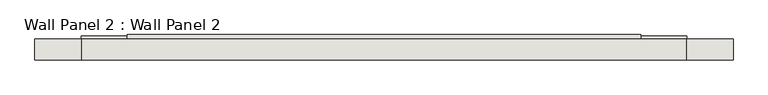
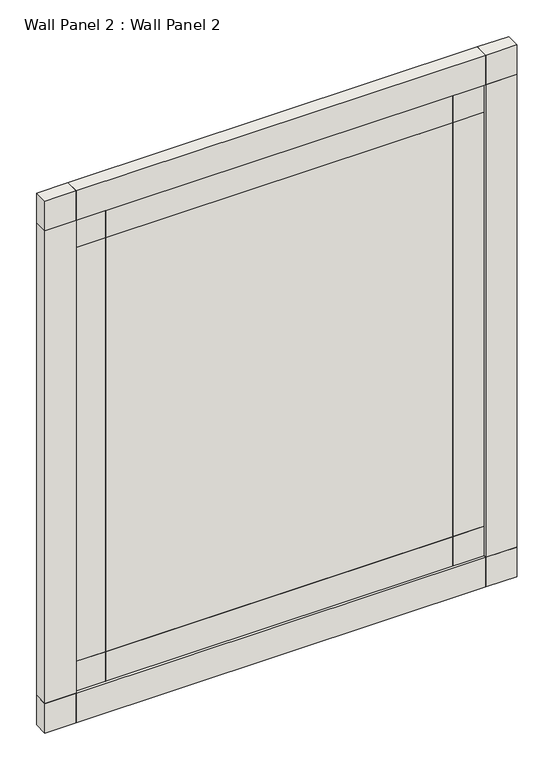
"""IFC4 building model written with IfcOpenShell, lengths in millimetres: wall geometry, Wall Panel 2 : Wall Panel 2."""

from ifc_helpers import new_model, si_unit, frame, origin, place, context, project, spatial, polyline, outline, extrude, source, transform, mapped, element, save


def wall_panel_2_wall_panel_2_7bca7684(model_context):
    return source(origin(), model_context, "Body", "SweptSolid", [
        extrude(outline(polyline([(107003.3665528, 3016.2499998), (104742.7664059, 3016.2499998), (104742.7664059, 3108.3249998), (107003.3665528, 3108.3249998), (107003.3665528, 3016.2499998)])), frame((0.0, 0.0, 609.6), z_axis=(0.0, 0.0, 1.0), x_axis=(1.0, 0.0, 0.0)), (0.0, 0.0, 1.0), 2844.8),
        extrude(outline(polyline([(107003.3665528, 3016.2499998), (104742.7664059, 3016.2499998), (104742.7664059, 3108.3249998), (107003.3665528, 3108.3249998), (107003.3665528, 3016.2499998)])), frame((0.0, 0.0, 3454.4), z_axis=(0.0, 0.0, 1.0), x_axis=(1.0, 0.0, 0.0)), (0.0, 0.0, 1.0), 203.2),
        extrude(outline(polyline([(107003.3665528, 3016.2499998), (104742.7664059, 3016.2499998), (104742.7664059, 3108.3249998), (107003.3665528, 3108.3249998), (107003.3665528, 3016.2499998)])), frame((0.0, 0.0, 406.4), z_axis=(0.0, 0.0, 1.0), x_axis=(1.0, 0.0, 0.0)), (0.0, 0.0, 1.0), 203.2),
        extrude(outline(polyline([(104742.7664059, 3016.2499998), (104539.5664059, 3016.2499998), (104539.5664059, 3101.9749998), (104742.7664059, 3101.9749998), (104742.7664059, 3016.2499998)])), frame((0.0, 0.0, 609.6), z_axis=(0.0, 0.0, 1.0), x_axis=(1.0, 0.0, 0.0)), (0.0, 0.0, 1.0), 2844.8),
        extrude(outline(polyline([(107206.5665528, 3016.2499998), (107003.3665528, 3016.2499998), (107003.3665528, 3101.9749998), (107206.5665528, 3101.9749998), (107206.5665528, 3016.2499998)])), frame((0.0, 0.0, 609.6), z_axis=(0.0, 0.0, 1.0), x_axis=(1.0, 0.0, 0.0)), (0.0, 0.0, 1.0), 2844.8),
        extrude(outline(polyline([(104742.7664059, 3016.2499998), (104539.5664059, 3016.2499998), (104539.5664059, 3101.9749998), (104742.7664059, 3101.9749998), (104742.7664059, 3016.2499998)])), frame((0.0, 0.0, 3454.4), z_axis=(0.0, 0.0, 1.0), x_axis=(1.0, 0.0, 0.0)), (0.0, 0.0, 1.0), 203.2),
        extrude(outline(polyline([(107206.5665528, 3016.2499998), (107003.3665528, 3016.2499998), (107003.3665528, 3101.9749998), (107206.5665528, 3101.9749998), (107206.5665528, 3016.2499998)])), frame((0.0, 0.0, 3454.4), z_axis=(0.0, 0.0, 1.0), x_axis=(1.0, 0.0, 0.0)), (0.0, 0.0, 1.0), 203.2),
        extrude(outline(polyline([(104742.7664059, 3016.2499998), (104539.5664059, 3016.2499998), (104539.5664059, 3101.9749998), (104742.7664059, 3101.9749998), (104742.7664059, 3016.2499998)])), frame((0.0, 0.0, 406.4), z_axis=(0.0, 0.0, 1.0), x_axis=(1.0, 0.0, 0.0)), (0.0, 0.0, 1.0), 203.2),
        extrude(outline(polyline([(107206.5665528, 3016.2499998), (107003.3665528, 3016.2499998), (107003.3665528, 3101.9749998), (107206.5665528, 3101.9749998), (107206.5665528, 3016.2499998)])), frame((0.0, 0.0, 406.4), z_axis=(0.0, 0.0, 1.0), x_axis=(1.0, 0.0, 0.0)), (0.0, 0.0, 1.0), 203.2),
        extrude(outline(polyline([(104539.5664059, 2997.1999998), (104336.3664059, 2997.1999998), (104336.3664059, 3089.2749998), (104539.5664059, 3089.2749998), (104539.5664059, 2997.1999998)])), frame((0.0, 0.0, 3657.6), z_axis=(0.0, 0.0, 1.0), x_axis=(1.0, 0.0, 0.0)), (0.0, 0.0, 1.0), 203.2),
        extrude(outline(polyline([(107409.7664057, 2997.1999998), (107206.5664057, 2997.1999998), (107206.5664057, 3089.2749998), (107409.7664057, 3089.2749998), (107409.7664057, 2997.1999998)])), frame((0.0, 0.0, 3657.6), z_axis=(0.0, 0.0, 1.0), x_axis=(1.0, 0.0, 0.0)), (0.0, 0.0, 1.0), 203.2),
        extrude(outline(polyline([(107409.7664057, 2997.1999998), (107206.5664057, 2997.1999998), (107206.5664057, 3089.2749998), (107409.7664057, 3089.2749998), (107409.7664057, 2997.1999998)])), frame((0.0, 0.0, 203.2), z_axis=(0.0, 0.0, 1.0), x_axis=(1.0, 0.0, 0.0)), (0.0, 0.0, 1.0), 203.2),
        extrude(outline(polyline([(104539.5664059, 2997.1999998), (104336.3664059, 2997.1999998), (104336.3664059, 3089.2749998), (104539.5664059, 3089.2749998), (104539.5664059, 2997.1999998)])), frame((0.0, 0.0, 203.2), z_axis=(0.0, 0.0, 1.0), x_axis=(1.0, 0.0, 0.0)), (0.0, 0.0, 1.0), 203.2),
        extrude(outline(polyline([(104539.5664059, 2997.1999998), (104336.3664059, 2997.1999998), (104336.3664059, 3089.2749998), (104539.5664059, 3089.2749998), (104539.5664059, 2997.1999998)])), frame((0.0, 0.0, 406.4), z_axis=(0.0, 0.0, 1.0), x_axis=(1.0, 0.0, 0.0)), (0.0, 0.0, 1.0), 3251.2),
        extrude(outline(polyline([(107409.7664057, 2997.1999998), (107206.5665528, 2997.1999998), (107206.5665528, 3089.2749998), (107409.7664057, 3089.2749998), (107409.7664057, 2997.1999998)])), frame((0.0, 0.0, 406.4), z_axis=(0.0, 0.0, 1.0), x_axis=(1.0, 0.0, 0.0)), (0.0, 0.0, 1.0), 3251.2),
        extrude(outline(polyline([(107206.5664057, 2997.1999998), (104539.5664059, 2997.1999998), (104539.5664059, 3089.2749998), (107206.5664057, 3089.2749998), (107206.5664057, 2997.1999998)])), frame((0.0, 0.0, 3657.6), z_axis=(0.0, 0.0, 1.0), x_axis=(1.0, 0.0, 0.0)), (0.0, 0.0, 1.0), 203.2),
        extrude(outline(polyline([(107206.5664057, 2997.1999998), (104539.5664059, 2997.1999998), (104539.5664059, 3089.2749998), (107206.5664057, 3089.2749998), (107206.5664057, 2997.1999998)])), frame((0.0, 0.0, 203.2), z_axis=(0.0, 0.0, 1.0), x_axis=(1.0, 0.0, 0.0)), (0.0, 0.0, 1.0), 203.2),
    ])


if __name__ == "__main__":
    model = new_model("IFC4")
    model_context = context("Model", 3, world=origin())
    ifc_project = project(units=[si_unit("LENGTHUNIT", "METRE", prefix="MILLI")], contexts=[model_context])
    site = spatial("IfcSite", under=ifc_project)
    building = spatial("IfcBuilding", under=site)
    placement = place(None, origin())
    wall_panel_2_wall_panel_2_shape = wall_panel_2_wall_panel_2_7bca7684(model_context)
    element("IfcWall", 1, ObjectType="Wall Panel 2 : Wall Panel 2", at=placement, inside=building, context=model_context, shape_type="MappedRepresentation", body=[
        mapped(wall_panel_2_wall_panel_2_shape, transform((0.0, 0.0, 0.0), x_axis=(1.0, 0.0, 0.0), y_axis=(0.0, 1.0, 0.0), z_axis=(0.0, 0.0, 1.0))),
    ])
    save(model, "model.ifc")
